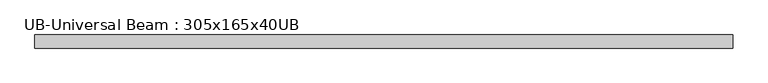
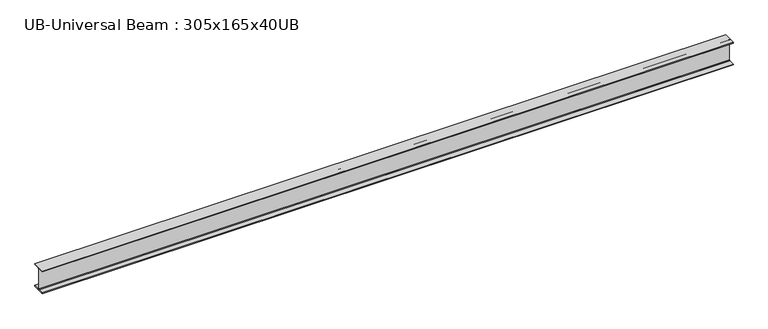
"""IFC4 building model written with IfcOpenShell, lengths in millimetres: beam geometry, UB-Universal Beam : 305x165x40UB."""

from ifc_helpers import new_model, si_unit, point, frame, frame_2d, origin, place, context, project, spatial, polyline, circle_curve, trimmed, segment, composite_curve, outline, extrude, source, transform, mapped, element, save


def ub_universal_beam_305x165x40ub_8af97bc0(model_context):
    return source(origin(), model_context, "Body", "SweptSolid", [
        extrude(outline(composite_curve([segment(polyline([(82.5, -141.5), (82.5, -151.7), (-82.5, -151.7), (-82.5, -141.5), (-11.9, -141.5)]), True, "CONTINUOUS"), segment(trimmed(circle_curve(frame_2d((-11.9, -132.6)), 8.9), [point((-11.9, -141.5))], [point((-3.0, -132.6))], True, "CARTESIAN"), True, "CONTINUOUS"), segment(polyline([(-3.0, -132.6), (-3.0, 132.6)]), True, "CONTINUOUS"), segment(trimmed(circle_curve(frame_2d((-11.9, 132.6)), 8.9), [point((-3.0, 132.6))], [point((-11.9, 141.5))], True, "CARTESIAN"), True, "CONTINUOUS"), segment(polyline([(-11.9, 141.5), (-82.5, 141.5), (-82.5, 151.7), (82.5, 151.7), (82.5, 141.5), (11.9, 141.5)]), True, "CONTINUOUS"), segment(trimmed(circle_curve(frame_2d((11.9, 132.6)), 8.9), [point((11.9, 141.5))], [point((3.0, 132.6))], True, "CARTESIAN"), True, "CONTINUOUS"), segment(polyline([(3.0, 132.6), (3.0, -132.6)]), True, "CONTINUOUS"), segment(trimmed(circle_curve(frame_2d((11.9, -132.6)), 8.9), [point((3.0, -132.6))], [point((11.9, -141.5))], True, "CARTESIAN"), True, "CONTINUOUS"), segment(polyline([(11.9, -141.5), (82.5, -141.5)]), True, "CONTINUOUS")], self_intersect=False)), frame((-4392.3, 0.0, 0.0), z_axis=(1.0, 0.0, 0.0), x_axis=(0.0, 1.0, 0.0)), (0.0, 0.0, 1.0), 8784.6),
    ])


if __name__ == "__main__":
    model = new_model("IFC4")
    model_context = context("Model", 3, world=origin())
    ifc_project = project(units=[si_unit("LENGTHUNIT", "METRE", prefix="MILLI")], contexts=[model_context])
    site = spatial("IfcSite", under=ifc_project)
    building = spatial("IfcBuilding", under=site)
    placement = place(None, origin())
    ub_universal_beam_305x165x40ub_shape = ub_universal_beam_305x165x40ub_8af97bc0(model_context)
    element("IfcBeam", 1, ObjectType="UB-Universal Beam : 305x165x40UB", at=placement, inside=building, context=model_context, shape_type="MappedRepresentation", body=[
        mapped(ub_universal_beam_305x165x40ub_shape, transform((0.0, 0.0, 0.0), x_axis=(1.0, 0.0, 0.0), y_axis=(0.0, 1.0, 0.0), z_axis=(0.0, 0.0, 1.0))),
    ])
    save(model, "model.ifc")
